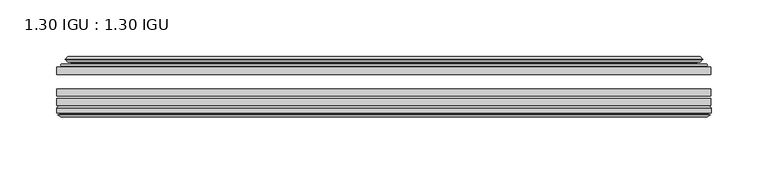
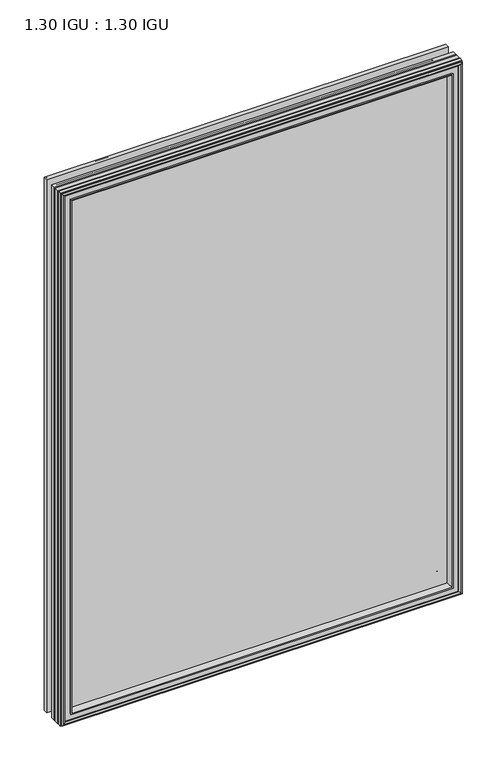
"""IFC4 building model written with IfcOpenShell, lengths in millimetres: plate geometry, 1.30 IGU : 1.30 IGU."""

import ifcopenshell
import ifcopenshell.guid

model = None  # the IFC model being written
_history = None  # IfcOwnerHistory: only IFC2X3 demands one
_inside = {}  # id of a spatial element -> (the spatial element, [elements in it])
_under = {}  # id of a project, library or spatial element -> (it, [spatial elements below it])
_declared = {}  # id of a project -> (the project, [libraries it declares])
_typed = {}  # id of a type object -> (the type object, [elements of that type])
_made_of = {}  # id of a material, layer set ... -> (it, [elements and type objects made of it])


def new_model(schema):
    """Start an empty IFC model of exactly this schema.

    Asked for "IFC4X3", IfcOpenShell would pick the latest addendum, in which some entities
    have other attributes; the version numbers below select the first issue.
    IFC2X3 requires an IfcOwnerHistory on every rooted entity: one is made here for all.
    """
    global model, _history
    if schema == "IFC4X3":
        model = ifcopenshell.file(schema_version=(4, 3, 0, 0))
    else:
        model = ifcopenshell.file(schema=schema)
    _inside.clear()
    _under.clear()
    _declared.clear()
    _typed.clear()
    _made_of.clear()
    _history = None
    if model.schema == "IFC2X3":
        org = make("IfcOrganization", Name="unknown")
        user = make(
            "IfcPersonAndOrganization",
            ThePerson=make("IfcPerson", FamilyName="unknown"),
            TheOrganization=org,
        )
        app = make(
            "IfcApplication",
            ApplicationDeveloper=org,
            Version="unknown",
            ApplicationFullName="unknown",
            ApplicationIdentifier="unknown",
        )
        _history = make(
            "IfcOwnerHistory",
            OwningUser=user,
            OwningApplication=app,
            ChangeAction="ADDED",
            CreationDate=0,
        )
    return model


def make(cls, **values):
    """One entity of the class cls with the attributes given. An attribute that is None is left unset."""
    return model.create_entity(
        cls, **{name: value for name, value in values.items() if value is not None}
    )


def rooted(cls, **values):
    """An entity with a GlobalId (a new one), such as an element, a storey or a relation."""
    return make(cls, GlobalId=ifcopenshell.guid.new(), OwnerHistory=_history, **values)


def si_unit(unit_type, name, prefix=None):
    """IfcSIUnit, for example si_unit("LENGTHUNIT", "METRE", prefix="MILLI")."""
    return make("IfcSIUnit", UnitType=unit_type, Prefix=prefix, Name=name)


def assignment(units):
    """IfcUnitAssignment: the units of a project."""
    return None if units is None else make("IfcUnitAssignment", Units=units)


def point(xyz):
    """IfcCartesianPoint."""
    return None if xyz is None else make("IfcCartesianPoint", Coordinates=xyz)


def direction(xyz):
    """IfcDirection."""
    return None if xyz is None else make("IfcDirection", DirectionRatios=xyz)


def frame(location, z_axis=None, x_axis=None):
    """IfcAxis2Placement3D, a coordinate frame: its origin and axes. An axis left out is left unset."""
    return make(
        "IfcAxis2Placement3D",
        Location=point(location),
        Axis=direction(z_axis),
        RefDirection=direction(x_axis),
    )


def origin():
    """The frame at (0, 0, 0) with its axes left unset."""
    return frame((0.0, 0.0, 0.0))


def place(relative_to, where):
    """IfcLocalPlacement: puts the frame where relative to a parent placement (None: the world)."""
    return make(
        "IfcLocalPlacement", PlacementRelTo=relative_to, RelativePlacement=where
    )


def context(
    kind, dimensions, precision=None, world=None, true_north=None, identifier=None
):
    """IfcGeometricRepresentationContext, for example the 3D "Model" context."""
    return make(
        "IfcGeometricRepresentationContext",
        ContextIdentifier=identifier,
        ContextType=kind,
        CoordinateSpaceDimension=dimensions,
        Precision=precision,
        WorldCoordinateSystem=world,
        TrueNorth=true_north,
    )


def project(units=None, contexts=None):
    """IfcProject with its units and contexts."""
    return rooted(
        "IfcProject",
        Name="project",
        RepresentationContexts=contexts,
        UnitsInContext=assignment(units),
    )


def spatial(cls, under=None, at=None, **own):
    """A site, building, storey or space (cls), placed at a placement, below another one or the project."""
    s = rooted(cls, ObjectPlacement=at, **own)
    if under is not None:
        _under.setdefault(under.id(), (under, []))[1].append(s)
    return s


def polyline(points):
    """IfcPolyline through the points."""
    return make("IfcPolyline", Points=[point(p) for p in points])


def ellipse_curve(where, semi_axis1, semi_axis2):
    """IfcEllipse in the frame where."""
    return make(
        "IfcEllipse", Position=where, SemiAxis1=semi_axis1, SemiAxis2=semi_axis2
    )


def outline(outer, holes=None, kind="AREA"):
    """IfcArbitraryClosedProfileDef: a profile drawn as a closed curve; with holes, ...WithVoids."""
    if holes is None:
        return make("IfcArbitraryClosedProfileDef", ProfileType=kind, OuterCurve=outer)
    return make(
        "IfcArbitraryProfileDefWithVoids",
        ProfileType=kind,
        OuterCurve=outer,
        InnerCurves=holes,
    )


def extrude(swept, where, along, depth):
    """IfcExtrudedAreaSolid: the profile swept, set in the frame where, extruded along a direction by depth."""
    return make(
        "IfcExtrudedAreaSolid",
        SweptArea=swept,
        Position=where,
        ExtrudedDirection=direction(along),
        Depth=depth,
    )


def faces_of(points, faces, orient=None, outer=None):
    """IfcFace entities. A face is a list of loops; a loop is a list of indices into points, from 0.

    orient and outer hold one flag for each loop. By default every Orientation is true, the
    first loop of a face is its IfcFaceOuterBound and the others are IfcFaceBound.
    """
    made = []
    for i, loops in enumerate(faces):
        bounds = []
        for j, loop in enumerate(loops):
            is_outer = j == 0 if outer is None else outer[i][j]
            bounds.append(
                make(
                    "IfcFaceOuterBound" if is_outer else "IfcFaceBound",
                    Bound=make("IfcPolyLoop", Polygon=[points[k] for k in loop]),
                    Orientation=True if orient is None else orient[i][j],
                )
            )
        made.append(make("IfcFace", Bounds=bounds))
    return made


def faceted_brep(points, faces, orient=None, outer=None, voids=None):
    """IfcFacetedBrep: a solid bounded by flat faces; with voids (closed shells), ...WithVoids."""
    shared = [point(p) for p in points]
    hull = make("IfcClosedShell", CfsFaces=faces_of(shared, faces, orient, outer))
    if voids is None:
        return make("IfcFacetedBrep", Outer=hull)
    return make(
        "IfcFacetedBrepWithVoids",
        Outer=hull,
        Voids=[
            make(cls, CfsFaces=faces_of(shared, fs, o, b)) for cls, fs, o, b in voids
        ],
    )


def shape(context_of_items, identifier, shape_type, items):
    """IfcShapeRepresentation: the items that make up one representation, for example the "Body"."""
    return make(
        "IfcShapeRepresentation",
        ContextOfItems=context_of_items,
        RepresentationIdentifier=identifier,
        RepresentationType=shape_type,
        Items=items,
    )


def source(mapping_origin, context_of_items, identifier, shape_type, items):
    """IfcRepresentationMap: a shape defined once, which mapped items show again and again."""
    return make(
        "IfcRepresentationMap",
        MappingOrigin=mapping_origin,
        MappedRepresentation=shape(context_of_items, identifier, shape_type, items),
    )


def transform(
    local_origin,
    x_axis=None,
    y_axis=None,
    z_axis=None,
    scale=None,
    scale2=None,
    scale3=None,
    uniform=True,
):
    """IfcCartesianTransformationOperator3D, or its non-uniform kind. x_axis, y_axis, z_axis: its Axis1, 2, 3."""
    if uniform:
        return make(
            "IfcCartesianTransformationOperator3D",
            Axis1=direction(x_axis),
            Axis2=direction(y_axis),
            LocalOrigin=point(local_origin),
            Scale=scale,
            Axis3=direction(z_axis),
        )
    return make(
        "IfcCartesianTransformationOperator3DnonUniform",
        Axis1=direction(x_axis),
        Axis2=direction(y_axis),
        LocalOrigin=point(local_origin),
        Scale=scale,
        Axis3=direction(z_axis),
        Scale2=scale2,
        Scale3=scale3,
    )


def mapped(mapping_source, mapping_target):
    """IfcMappedItem: shows the shape of a source again, moved by a transform."""
    return make(
        "IfcMappedItem", MappingSource=mapping_source, MappingTarget=mapping_target
    )


def made_of(thing, what):
    """Note that an element or type object is made of a material, layer set ...; save() writes the relation."""
    if what is not None:
        _made_of.setdefault(what.id(), (what, []))[1].append(thing)
    return thing


def element(
    cls,
    number,
    at=None,
    inside=None,
    cuts=None,
    type_object=None,
    material=None,
    context=None,
    identifier="Body",
    shape_type=None,
    held_by="IfcProductDefinitionShape",
    body=None,
    shapes=None,
    **own,
):
    """One element of the class cls, such as IfcWall. Its Tag is "e" and its number.

    at: its placement. inside: the storey or other place that contains it. cuts: it is an
    opening in that element (IfcRelVoidsElement). A single representation is given by context,
    identifier, shape_type and body (its items); several are given by shapes. held_by: the class
    of the entity that holds the representations. save() writes the other relations.
    """
    e = rooted(cls, Tag="e%d" % number, ObjectPlacement=at, **own)
    if body is not None:
        shapes = [shape(context, identifier, shape_type, body)]
    if shapes is not None:
        e.Representation = make(held_by, Representations=shapes)
    if inside is not None:
        _inside.setdefault(inside.id(), (inside, []))[1].append(e)
    if cuts is not None:
        rooted(
            "IfcRelVoidsElement", RelatingBuildingElement=cuts, RelatedOpeningElement=e
        )
    if type_object is not None:
        _typed.setdefault(type_object.id(), (type_object, []))[1].append(e)
    return made_of(e, material)


def aggregate(whole, parts):
    """IfcRelAggregates: a whole, such as a stair, and the parts it consists of."""
    return rooted("IfcRelAggregates", RelatingObject=whole, RelatedObjects=parts)


def save(model, path):
    """Write the relations noted so far, then the file.

    IfcRelAggregates (storeys below a building ...), IfcRelContainedInSpatialStructure (elements
    in a storey), IfcRelDefinesByType, IfcRelAssociatesMaterial and IfcRelDeclares: one each for
    every whole, place, type object, material and project.
    """
    for whole, parts in _under.values():
        aggregate(whole, parts)
    for where, things in _inside.values():
        rooted(
            "IfcRelContainedInSpatialStructure",
            RelatedElements=things,
            RelatingStructure=where,
        )
    for kind, things in _typed.values():
        rooted("IfcRelDefinesByType", RelatedObjects=things, RelatingType=kind)
    for what, things in _made_of.values():
        rooted("IfcRelAssociatesMaterial", RelatedObjects=things, RelatingMaterial=what)
    for by, libraries in _declared.values():
        rooted("IfcRelDeclares", RelatingContext=by, RelatedDefinitions=libraries)
    model.write(path)


def plane_surface(at):
    """IfcPlane: the flat surface through the origin of the frame at, square to its z axis."""
    return make("IfcPlane", Position=at)


def cylinder_surface(at, radius):
    """IfcCylindricalSurface: all points at the distance radius from the z axis of the frame at."""
    return make("IfcCylindricalSurface", Position=at, Radius=radius)


def revolved_surface(curve, axis_point, axis_direction):
    """IfcSurfaceOfRevolution: the curve turned about the line through axis_point along axis_direction."""
    return make(
        "IfcSurfaceOfRevolution",
        SweptCurve=make("IfcArbitraryOpenProfileDef", ProfileType="CURVE", Curve=curve),
        AxisPosition=make("IfcAxis1Placement", Location=point(axis_point), Axis=direction(axis_direction)),
    )


def advanced_brep(points, edges, surfaces, faces):
    """IfcAdvancedBrep: a solid bounded by faces that lie on surfaces and meet in shared edges.

    An edge is (start, end): straight between two places in points (the first is 0);
    or (start, end, curve); or (start, end, curve, False) where it runs against its curve.
    A face is (place in surfaces, loops), or (place, loops, False) where it looks against
    its surface's normal. A loop lists edges by number (the first is 1), with a minus sign
    where the edge is run from its end to its start. The first loop is the outer one.
    """
    corners = [point(p) for p in points]
    vertices = [make("IfcVertexPoint", VertexGeometry=c) for c in corners]
    made = []
    for start, end, *more in edges:
        made.append(
            make(
                "IfcEdgeCurve",
                EdgeStart=vertices[start],
                EdgeEnd=vertices[end],
                EdgeGeometry=more[0] if more else make("IfcPolyline", Points=[corners[start], corners[end]]),
                SameSense=more[1] if len(more) > 1 else True,
            )
        )
    hull = []
    for where, loops, *sense in faces:
        bounds = []
        for j, loop in enumerate(loops):
            ring = [make("IfcOrientedEdge", EdgeElement=made[abs(k) - 1], Orientation=k > 0) for k in loop]
            bounds.append(
                make(
                    "IfcFaceOuterBound" if j == 0 else "IfcFaceBound",
                    Bound=make("IfcEdgeLoop", EdgeList=ring),
                    Orientation=True,
                )
            )
        hull.append(make("IfcAdvancedFace", Bounds=bounds, FaceSurface=surfaces[where], SameSense=sense[0] if sense else True))
    return make("IfcAdvancedBrep", Outer=make("IfcClosedShell", CfsFaces=hull))


def plate_1_30_igu_1_30_igu_48c2cd0c(model_context):
    return source(origin(), model_context, "Body", "SolidModel", [
        extrude(outline(polyline([(287.2705532, -44.92625), (287.2705532, -51.27625), (-287.3375, -51.27625), (-287.3375, -44.92625), (287.2705532, -44.92625)])), frame((0.0, 0.0, -14.2875), z_axis=(0.0, 0.0, 1.0), x_axis=(1.0, 0.0, 0.0)), (0.0, 0.0, 1.0), 806.45),
        extrude(outline(polyline([(-287.3375, -78.58125), (-287.3375, -72.23125), (287.2705532, -72.23125), (287.2705532, -78.58125), (-287.3375, -78.58125)])), frame((0.0, 0.0, -14.2875), z_axis=(0.0, 0.0, 1.0), x_axis=(1.0, 0.0, 0.0)), (0.0, 0.0, 1.0), 806.45),
        extrude(outline(polyline([(-287.3375, -70.32625), (-287.3375, -63.97625), (287.2705532, -63.97625), (287.2705532, -70.32625), (-287.3375, -70.32625)])), frame((0.0, 0.0, -14.2875), z_axis=(0.0, 0.0, 1.0), x_axis=(1.0, 0.0, 0.0)), (0.0, 0.0, 1.0), 806.45),
        advanced_brep(
        [(-269.0022902, -43.8351483, 773.8272902), (-269.4441004, -44.92625, 774.2691004), (-269.4441004, -44.92625, 3.6058996), (-269.0022902, -43.8351483, 4.0477098), (-273.05, -36.11245, 777.875), (-273.05, -36.11245, 0.0), (-278.2359109, -37.2935491, 783.0609109), (-278.2359109, -37.2935491, -5.1859109), (-277.9063356, -36.4664324, 782.7313356), (-277.9063356, -36.4664324, -4.8563356), (-277.9063356, -35.6521812, 782.7313356), (-277.9063356, -35.6521812, -4.8563356), (-279.7226111, -37.610817, 784.5476111), (-279.7226111, -37.610817, -6.6726111), (-279.7226111, -38.3239429, 784.5476111), (-279.7226111, -38.3239429, -6.6726111), (-277.9063356, -40.2727974, 782.7313356), (-277.9063356, -40.2727974, -4.8563356), (-277.9063356, -39.4683275, 782.7313356), (-277.9063356, -39.4683275, -4.8563356), (-278.2282501, -38.6604367, 783.0532501), (-278.2282501, -38.6604367, -5.1782501), (-275.7044379, -38.502045, 780.5294379), (-275.7044379, -38.502045, -2.6544379), (-274.6786217, -39.1897544, 779.5036217), (-274.6786217, -39.1897544, -1.6286217), (-274.7970288, -40.5842231, 779.6220288), (-274.7970288, -40.5842231, -1.7470288), (-275.3987748, -42.08145, 780.2237748), (-275.3987748, -42.08145, -2.3487748), (-283.3245553, -43.9898729, 788.1495553), (-282.8389245, -42.08145, 787.6639245), (-282.8389245, -42.08145, -9.7889245), (-283.3245553, -43.9898729, -10.2745553), (-281.6038155, -44.92625, 786.4288155), (-281.6038155, -44.92625, -8.5538155), (269.4441004, -44.92625, 3.6058996), (269.0022902, -43.8351483, 4.0477098), (273.05, -36.11245, 0.0), (278.2359109, -37.2935491, -5.1859109), (277.9063356, -36.4664324, -4.8563356), (277.9063356, -35.6521812, -4.8563356), (279.7226111, -37.610817, -6.6726111), (279.7226111, -38.3239429, -6.6726111), (277.9063356, -40.2727974, -4.8563356), (277.9063356, -39.4683275, -4.8563356), (278.2282501, -38.6604367, -5.1782501), (275.7044379, -38.502045, -2.6544379), (274.6786217, -39.1897544, -1.6286217), (274.7970288, -40.5842231, -1.7470288), (275.3987748, -42.08145, -2.3487748), (282.8389245, -42.08145, -9.7889245), (283.3245553, -43.9898729, -10.2745553), (281.6038155, -44.92625, -8.5538155), (269.4441004, -44.92625, 774.2691004), (269.0022902, -43.8351483, 773.8272902), (273.05, -36.11245, 777.875), (278.2359109, -37.2935491, 783.0609109), (277.9063356, -36.4664324, 782.7313356), (277.9063356, -35.6521812, 782.7313356), (279.7226111, -37.610817, 784.5476111), (279.7226111, -38.3239429, 784.5476111), (277.9063356, -40.2727974, 782.7313356), (277.9063356, -39.4683275, 782.7313356), (278.2282501, -38.6604367, 783.0532501), (275.7044379, -38.502045, 780.5294379), (274.6786217, -39.1897544, 779.5036217), (274.7970288, -40.5842231, 779.6220288), (275.3987748, -42.08145, 780.2237748), (282.8389245, -42.08145, 787.6639245), (283.3245553, -43.9898729, 788.1495553), (281.6038155, -44.92625, 786.4288155)],
        [
            (0, 1, ellipse_curve(frame((-269.4441004, -44.29125, 774.2691004), z_axis=(-0.7071067811865475, 0.0, -0.7071067811865475), x_axis=(-0.7071067811865474, 0.0, 0.7071067811865476)), 0.8980256, 0.635)),
            (1, 2),
            (2, 3, ellipse_curve(frame((-269.4441004, -44.29125, 3.6058996), z_axis=(-0.7071067811865475, 0.0, 0.7071067811865475), x_axis=(0.7071067811865474, 0.0, 0.7071067811865476)), 0.8980256, 0.635)),
            (3, 0),
            (4, 0, ellipse_curve(frame((-259.3172054, -33.8367745, 764.1422054), z_axis=(0.7071067811865475, 0.0, 0.7071067811865475), x_axis=(0.7071067811865474, 0.0, -0.7071067811865476)), 19.6859517, 13.9200699)),
            (3, 5, ellipse_curve(frame((-259.3172054, -33.8367745, 13.7327946), z_axis=(0.7071067811865475, 0.0, -0.7071067811865475), x_axis=(-0.7071067811865474, 0.0, -0.7071067811865476)), 19.6859517, 13.9200699)),
            (5, 4),
            (6, 4),
            (5, 7),
            (7, 6),
            (8, 6),
            (7, 9),
            (9, 8),
            (10, 8),
            (9, 11),
            (11, 10),
            (12, 10),
            (11, 13),
            (13, 12),
            (14, 12, ellipse_curve(frame((-279.3607729, -37.96738, 784.1857729), z_axis=(-0.7071067811865475, 0.0, -0.7071067811865475), x_axis=(-0.7071067811865474, 0.0, 0.7071067811865476)), 0.7184205, 0.508)),
            (13, 15, ellipse_curve(frame((-279.3607729, -37.96738, -6.3107729), z_axis=(-0.7071067811865475, 0.0, 0.7071067811865475), x_axis=(0.7071067811865474, 0.0, 0.7071067811865476)), 0.7184205, 0.508)),
            (15, 14),
            (16, 14),
            (15, 17),
            (17, 16),
            (18, 16),
            (17, 19),
            (19, 18),
            (20, 18),
            (19, 21),
            (21, 20),
            (22, 20),
            (21, 23),
            (23, 22),
            (24, 22, ellipse_curve(frame((-275.6408, -39.51605, 780.4658), z_axis=(0.7071067811865475, 0.0, 0.7071067811865475), x_axis=(0.7071067811865474, 0.0, -0.7071067811865476)), 1.436841, 1.016)),
            (23, 25, ellipse_curve(frame((-275.6408, -39.51605, -2.5908), z_axis=(0.7071067811865475, 0.0, -0.7071067811865475), x_axis=(-0.7071067811865474, 0.0, -0.7071067811865476)), 1.436841, 1.016)),
            (25, 24),
            (26, 24, ellipse_curve(frame((-277.0124, -39.69385, 781.8374), z_axis=(0.7071067811865475, 0.0, 0.7071067811865475), x_axis=(0.7071067811865474, 0.0, -0.7071067811865476)), 3.3765763, 2.3876)),
            (25, 27, ellipse_curve(frame((-277.0124, -39.69385, -3.9624), z_axis=(0.7071067811865475, 0.0, -0.7071067811865475), x_axis=(-0.7071067811865474, 0.0, -0.7071067811865476)), 3.3765763, 2.3876)),
            (27, 26),
            (28, 26),
            (27, 29),
            (29, 28),
            (30, 31, ellipse_curve(frame((-282.8389245, -43.09745, 787.6639245), z_axis=(-0.7071067811865475, 0.0, -0.7071067811865475), x_axis=(-0.7071067811865474, 0.0, 0.7071067811865476)), 1.436841, 1.016)),
            (31, 32),
            (32, 33, ellipse_curve(frame((-282.8389245, -43.09745, -9.7889245), z_axis=(-0.7071067811865475, 0.0, 0.7071067811865475), x_axis=(0.7071067811865474, 0.0, 0.7071067811865476)), 1.436841, 1.016)),
            (33, 30),
            (34, 30),
            (33, 35),
            (35, 34),
            (2, 36),
            (36, 37, ellipse_curve(frame((269.4441004, -44.29125, 3.6058996), z_axis=(-0.7071067811865475, 0.0, -0.7071067811865475), x_axis=(-0.7071067811865476, 0.0, 0.7071067811865474)), 0.8980256, 0.635)),
            (37, 3),
            (37, 38, ellipse_curve(frame((259.3172054, -33.8367745, 13.7327946), z_axis=(0.7071067811865475, 0.0, 0.7071067811865475), x_axis=(0.7071067811865476, 0.0, -0.7071067811865474)), 19.6859517, 13.9200699)),
            (38, 5),
            (38, 39),
            (39, 7),
            (39, 40),
            (40, 9),
            (40, 41),
            (41, 11),
            (41, 42),
            (42, 13),
            (42, 43, ellipse_curve(frame((279.3607729, -37.96738, -6.3107729), z_axis=(-0.7071067811865475, 0.0, -0.7071067811865475), x_axis=(-0.7071067811865476, 0.0, 0.7071067811865474)), 0.7184205, 0.508)),
            (43, 15),
            (43, 44),
            (44, 17),
            (44, 45),
            (45, 19),
            (45, 46),
            (46, 21),
            (46, 47),
            (47, 23),
            (47, 48, ellipse_curve(frame((275.6408, -39.51605, -2.5908), z_axis=(0.7071067811865475, 0.0, 0.7071067811865475), x_axis=(0.7071067811865476, 0.0, -0.7071067811865474)), 1.436841, 1.016)),
            (48, 25),
            (48, 49, ellipse_curve(frame((277.0124, -39.69385, -3.9624), z_axis=(0.7071067811865475, 0.0, 0.7071067811865475), x_axis=(0.7071067811865476, 0.0, -0.7071067811865474)), 3.3765763, 2.3876)),
            (49, 27),
            (49, 50),
            (50, 29),
            (32, 51),
            (51, 52, ellipse_curve(frame((282.8389245, -43.09745, -9.7889245), z_axis=(-0.7071067811865475, 0.0, -0.7071067811865475), x_axis=(-0.7071067811865476, 0.0, 0.7071067811865474)), 1.436841, 1.016)),
            (52, 33),
            (52, 53),
            (53, 35),
            (36, 54),
            (54, 55, ellipse_curve(frame((269.4441004, -44.29125, 774.2691004), z_axis=(0.7071067811865475, 0.0, -0.7071067811865475), x_axis=(-0.7071067811865474, 0.0, -0.7071067811865476)), 0.8980256, 0.635)),
            (55, 37),
            (55, 56, ellipse_curve(frame((259.3172054, -33.8367745, 764.1422054), z_axis=(-0.7071067811865475, 0.0, 0.7071067811865475), x_axis=(0.7071067811865474, 0.0, 0.7071067811865476)), 19.6859517, 13.9200699)),
            (56, 38),
            (56, 57),
            (57, 39),
            (57, 58),
            (58, 40),
            (58, 59),
            (59, 41),
            (59, 60),
            (60, 42),
            (60, 61, ellipse_curve(frame((279.3607729, -37.96738, 784.1857729), z_axis=(0.7071067811865475, 0.0, -0.7071067811865475), x_axis=(-0.7071067811865474, 0.0, -0.7071067811865476)), 0.7184205, 0.508)),
            (61, 43),
            (61, 62),
            (62, 44),
            (62, 63),
            (63, 45),
            (63, 64),
            (64, 46),
            (64, 65),
            (65, 47),
            (65, 66, ellipse_curve(frame((275.6408, -39.51605, 780.4658), z_axis=(-0.7071067811865475, 0.0, 0.7071067811865475), x_axis=(0.7071067811865474, 0.0, 0.7071067811865476)), 1.436841, 1.016)),
            (66, 48),
            (66, 67, ellipse_curve(frame((277.0124, -39.69385, 781.8374), z_axis=(-0.7071067811865475, 0.0, 0.7071067811865475), x_axis=(0.7071067811865474, 0.0, 0.7071067811865476)), 3.3765763, 2.3876)),
            (67, 49),
            (67, 68),
            (68, 50),
            (51, 69),
            (69, 70, ellipse_curve(frame((282.8389245, -43.09745, 787.6639245), z_axis=(0.7071067811865475, 0.0, -0.7071067811865475), x_axis=(-0.7071067811865474, 0.0, -0.7071067811865476)), 1.436841, 1.016)),
            (70, 52),
            (70, 71),
            (71, 53),
            (54, 1),
            (0, 55),
            (4, 56),
            (6, 57),
            (8, 58),
            (10, 59),
            (12, 60),
            (14, 61),
            (16, 62),
            (18, 63),
            (20, 64),
            (22, 65),
            (24, 66),
            (26, 67),
            (28, 68),
            (31, 69),
            (30, 70),
            (34, 71),
        ],
        [
            cylinder_surface(frame((-269.4441004, -44.29125, 809.625), z_axis=(0.0, 0.0, 1.0), x_axis=(-1.0, 0.0, 0.0)), 0.635),
            revolved_surface(polyline([(-273.23727529999996, -33.8367745, -0.18727534118079348), (-273.23727529999996, -33.8367745, 778.0622753411808)]), (-259.3172054, -33.8367745, 809.625), (0.0, 0.0, -1.0)),
            plane_surface(frame((-273.05, -36.11245, 777.875), z_axis=(-0.2220649844277866, 0.975031867525922, 0.0), x_axis=(0.0, 0.0, -1.0))),
            plane_surface(frame((-278.2359109, -37.2935491, 783.0609109), z_axis=(0.9289682685629922, -0.3701593656833182, 0.0), x_axis=(0.0, 0.0, -1.0))),
            plane_surface(frame((-277.9063356, -36.4664324, 782.7313356), z_axis=(1.0, 0.0, 0.0), x_axis=(0.0, 0.0, -1.0))),
            plane_surface(frame((-277.9063356, -35.6521812, 782.7313356), z_axis=(-0.7332521292723956, 0.6799568478348447, 0.0), x_axis=(0.0, 0.0, -1.0))),
            cylinder_surface(frame((-279.3607729, -37.96738, 809.625), z_axis=(0.0, 0.0, 1.0), x_axis=(-1.0, 0.0, 0.0)), 0.508),
            plane_surface(frame((-279.7226111, -38.3239429, 784.5476111), z_axis=(-0.7315522693036389, -0.6817853601220082, 0.0), x_axis=(0.0, 0.0, -1.0))),
            plane_surface(frame((-277.9063356, -40.2727974, 782.7313356), z_axis=(1.0, 0.0, 0.0), x_axis=(0.0, 0.0, -1.0))),
            plane_surface(frame((-277.9063356, -39.4683275, 782.7313356), z_axis=(0.9289682685631103, 0.37015936568302166, 0.0), x_axis=(0.0, 0.0, -1.0))),
            plane_surface(frame((-278.2282501, -38.6604367, 783.0532501), z_axis=(0.06263570119321646, -0.9980364567169048, 0.0), x_axis=(0.0, 0.0, -1.0))),
            revolved_surface(polyline([(-276.65680000000003, -39.51605, -3.606800014586838), (-276.65680000000003, -39.51605, 781.4818000145868)]), (-275.6408, -39.51605, 809.625), (0.0, 0.0, -1.0)),
            revolved_surface(polyline([(-279.40000000000003, -39.69385, -6.3499999989237494), (-279.40000000000003, -39.69385, 784.2249999989237)]), (-277.0124, -39.69385, 809.625), (0.0, 0.0, -1.0)),
            plane_surface(frame((-274.7970288, -40.5842231, 779.6220288), z_axis=(-0.9278652925428912, 0.372915538553028, 0.0), x_axis=(0.0, 0.0, -1.0))),
            cylinder_surface(frame((-282.8389245, -43.09745, 809.625), z_axis=(0.0, 0.0, 1.0), x_axis=(-1.0, 0.0, 0.0)), 1.016),
            plane_surface(frame((-283.3245553, -43.9898729, 788.1495553), z_axis=(-0.477983117370979, -0.8783690223979447, 0.0), x_axis=(0.0, 0.0, -1.0))),
            cylinder_surface(frame((-304.8, -44.29125, 3.6058996), z_axis=(-1.0, 0.0, 0.0), x_axis=(0.0, 0.0, -1.0)), 0.635),
            revolved_surface(polyline([(273.2372753411808, -33.8367745, -0.1872752999999996), (-273.2372753411808, -33.8367745, -0.1872752999999996)]), (-304.8, -33.8367745, 13.7327946), (1.0, 0.0, 0.0)),
            plane_surface(frame((-273.05, -36.11245, 0.0), z_axis=(0.0, 0.9750318675259213, -0.22206498442778974), x_axis=(1.0, 0.0, 0.0))),
            plane_surface(frame((-278.2359109, -37.2935491, -5.1859109), z_axis=(0.0, -0.3701593656833152, 0.9289682685629934), x_axis=(1.0, 0.0, 0.0))),
            plane_surface(frame((-277.9063356, -36.4664324, -4.8563356), z_axis=(0.0, 0.0, 1.0), x_axis=(1.0, 0.0, 0.0))),
            plane_surface(frame((-277.9063356, -35.6521812, -4.8563356), z_axis=(0.0, 0.6799568478348423, -0.7332521292723978), x_axis=(1.0, 0.0, 0.0))),
            cylinder_surface(frame((-304.8, -37.96738, -6.3107729), z_axis=(-1.0, 0.0, 0.0), x_axis=(0.0, 0.0, -1.0)), 0.508),
            plane_surface(frame((-279.7226111, -38.3239429, -6.6726111), z_axis=(0.0, -0.6817853601220105, -0.7315522693036367), x_axis=(1.0, 0.0, 0.0))),
            plane_surface(frame((-277.9063356, -40.2727974, -4.8563356), z_axis=(0.0, 0.0, 1.0), x_axis=(1.0, 0.0, 0.0))),
            plane_surface(frame((-277.9063356, -39.4683275, -4.8563356), z_axis=(0.0, 0.37015936568302465, 0.9289682685631091), x_axis=(1.0, 0.0, 0.0))),
            plane_surface(frame((-278.2282501, -38.6604367, -5.1782501), z_axis=(0.0, -0.9980364567169046, 0.06263570119321968), x_axis=(1.0, 0.0, 0.0))),
            revolved_surface(polyline([(276.65680001458696, -39.51605, -3.6068000000000002), (-276.65680001458685, -39.51605, -3.6068000000000002)]), (-304.8, -39.51605, -2.5908), (1.0, 0.0, 0.0)),
            revolved_surface(polyline([(279.39999999892376, -39.69385, -6.35), (-279.3999999989238, -39.69385, -6.35)]), (-304.8, -39.69385, -3.9624), (1.0, 0.0, 0.0)),
            plane_surface(frame((-274.7970288, -40.5842231, -1.7470288), z_axis=(0.0, 0.372915538553025, -0.9278652925428924), x_axis=(1.0, 0.0, 0.0))),
            cylinder_surface(frame((-304.8, -43.09745, -9.7889245), z_axis=(-1.0, 0.0, 0.0), x_axis=(0.0, 0.0, -1.0)), 1.016),
            plane_surface(frame((-283.3245553, -43.9898729, -10.2745553), z_axis=(0.0, -0.8783690223979462, -0.47798311737097615), x_axis=(1.0, 0.0, 0.0))),
            cylinder_surface(frame((269.4441004, -44.29125, -31.75), z_axis=(0.0, 0.0, -1.0), x_axis=(1.0, 0.0, 0.0)), 0.635),
            revolved_surface(polyline([(273.23727529999996, -33.8367745, 778.0622753411808), (273.23727529999996, -33.8367745, -0.1872753411808432)]), (259.3172054, -33.8367745, -31.75), (0.0, 0.0, 1.0)),
            plane_surface(frame((273.05, -36.11245, 0.0), z_axis=(0.22206498442779285, 0.9750318675259205, 0.0), x_axis=(0.0, 0.0, 1.0))),
            plane_surface(frame((278.2359109, -37.2935491, -5.1859109), z_axis=(-0.9289682685629946, -0.3701593656833122, 0.0), x_axis=(0.0, 0.0, 1.0))),
            plane_surface(frame((277.9063356, -36.4664324, -4.8563356), z_axis=(-1.0, 0.0, 0.0), x_axis=(0.0, 0.0, 1.0))),
            plane_surface(frame((277.9063356, -35.6521812, -4.8563356), z_axis=(0.7332521292724, 0.67995684783484, 0.0), x_axis=(0.0, 0.0, 1.0))),
            cylinder_surface(frame((279.3607729, -37.96738, -31.75), z_axis=(0.0, 0.0, -1.0), x_axis=(1.0, 0.0, 0.0)), 0.508),
            plane_surface(frame((279.7226111, -38.3239429, -6.6726111), z_axis=(0.7315522693036345, -0.6817853601220129, 0.0), x_axis=(0.0, 0.0, 1.0))),
            plane_surface(frame((277.9063356, -40.2727974, -4.8563356), z_axis=(-1.0, 0.0, 0.0), x_axis=(0.0, 0.0, 1.0))),
            plane_surface(frame((277.9063356, -39.4683275, -4.8563356), z_axis=(-0.928968268563108, 0.3701593656830277, 0.0), x_axis=(0.0, 0.0, 1.0))),
            plane_surface(frame((278.2282501, -38.6604367, -5.1782501), z_axis=(-0.0626357011932229, -0.9980364567169043, 0.0), x_axis=(0.0, 0.0, 1.0))),
            revolved_surface(polyline([(276.65680000000003, -39.51605, 781.4818000145868), (276.65680000000003, -39.51605, -3.606800014586863)]), (275.6408, -39.51605, -31.75), (0.0, 0.0, 1.0)),
            revolved_surface(polyline([(279.40000000000003, -39.69385, 784.2249999989237), (279.40000000000003, -39.69385, -6.349999998923781)]), (277.0124, -39.69385, -31.75), (0.0, 0.0, 1.0)),
            plane_surface(frame((274.7970288, -40.5842231, -1.7470288), z_axis=(0.9278652925428936, 0.372915538553022, 0.0), x_axis=(0.0, 0.0, 1.0))),
            cylinder_surface(frame((282.8389245, -43.09745, -31.75), z_axis=(0.0, 0.0, -1.0), x_axis=(1.0, 0.0, 0.0)), 1.016),
            plane_surface(frame((283.3245553, -43.9898729, -10.2745553), z_axis=(0.4779831173709733, -0.8783690223979478, 0.0), x_axis=(0.0, 0.0, 1.0))),
            cylinder_surface(frame((304.8, -44.29125, 774.2691004), z_axis=(1.0, 0.0, 0.0), x_axis=(0.0, 0.0, 1.0)), 0.635),
            revolved_surface(polyline([(-273.2372753411808, -33.8367745, 778.0622753), (273.2372753411808, -33.8367745, 778.0622753)]), (304.8, -33.8367745, 764.1422054), (-1.0, 0.0, 0.0)),
            plane_surface(frame((273.05, -36.11245, 777.875), z_axis=(0.0, 0.9750318675259212, 0.2220649844277897), x_axis=(-1.0, 0.0, 0.0))),
            plane_surface(frame((278.2359109, -37.2935491, 783.0609109), z_axis=(0.0, -0.3701593656833152, -0.9289682685629934), x_axis=(-1.0, 0.0, 0.0))),
            plane_surface(frame((277.9063356, -36.4664324, 782.7313356), z_axis=(0.0, 0.0, -1.0), x_axis=(-1.0, 0.0, 0.0))),
            plane_surface(frame((277.9063356, -35.6521812, 782.7313356), z_axis=(0.0, 0.6799568478348423, 0.7332521292723978), x_axis=(-1.0, 0.0, 0.0))),
            cylinder_surface(frame((304.8, -37.96738, 784.1857729), z_axis=(1.0, 0.0, 0.0), x_axis=(0.0, 0.0, 1.0)), 0.508),
            plane_surface(frame((279.7226111, -38.3239429, 784.5476111), z_axis=(0.0, -0.6817853601220105, 0.7315522693036367), x_axis=(-1.0, 0.0, 0.0))),
            plane_surface(frame((277.9063356, -40.2727974, 782.7313356), z_axis=(0.0, 0.0, -1.0), x_axis=(-1.0, 0.0, 0.0))),
            plane_surface(frame((277.9063356, -39.4683275, 782.7313356), z_axis=(0.0, 0.3701593656830247, -0.9289682685631092), x_axis=(-1.0, 0.0, 0.0))),
            plane_surface(frame((278.2282501, -38.6604367, 783.0532501), z_axis=(0.0, -0.9980364567169046, -0.06263570119321968), x_axis=(-1.0, 0.0, 0.0))),
            revolved_surface(polyline([(-276.65680001458696, -39.51605, 781.4817999999999), (276.65680001458685, -39.51605, 781.4817999999999)]), (304.8, -39.51605, 780.4658), (-1.0, 0.0, 0.0)),
            revolved_surface(polyline([(-279.39999999892376, -39.69385, 784.225), (279.3999999989238, -39.69385, 784.225)]), (304.8, -39.69385, 781.8374), (-1.0, 0.0, 0.0)),
            plane_surface(frame((274.7970288, -40.5842231, 779.6220288), z_axis=(0.0, 0.372915538553025, 0.9278652925428924), x_axis=(-1.0, 0.0, 0.0))),
            plane_surface(frame((275.3987748, -42.08145, 780.2237748), z_axis=(0.0, 1.0, 0.0), x_axis=(-1.0, 0.0, 0.0))),
            cylinder_surface(frame((304.8, -43.09745, 787.6639245), z_axis=(1.0, 0.0, 0.0), x_axis=(0.0, 0.0, 1.0)), 1.016),
            plane_surface(frame((283.3245553, -43.9898729, 788.1495553), z_axis=(0.0, -0.8783690223979462, 0.47798311737097615), x_axis=(-1.0, 0.0, 0.0))),
            plane_surface(frame((281.6038155, -44.92625, 786.4288155), z_axis=(0.0, -1.0, 0.0), x_axis=(-1.0, 0.0, 0.0))),
        ],
        [
            (0, [[1, 2, 3, 4]]),
            (1, [[5, -4, 6, 7]]),
            (2, [[8, -7, 9, 10]]),
            (3, [[11, -10, 12, 13]]),
            (4, [[14, -13, 15, 16]]),
            (5, [[17, -16, 18, 19]]),
            (6, [[20, -19, 21, 22]]),
            (7, [[23, -22, 24, 25]]),
            (8, [[26, -25, 27, 28]]),
            (9, [[29, -28, 30, 31]]),
            (10, [[32, -31, 33, 34]]),
            (11, [[35, -34, 36, 37]]),
            (12, [[38, -37, 39, 40]]),
            (13, [[41, -40, 42, 43]]),
            (14, [[44, 45, 46, 47]]),
            (15, [[48, -47, 49, 50]]),
            (16, [[-3, 51, 52, 53]]),
            (17, [[-6, -53, 54, 55]]),
            (18, [[-9, -55, 56, 57]]),
            (19, [[-12, -57, 58, 59]]),
            (20, [[-15, -59, 60, 61]]),
            (21, [[-18, -61, 62, 63]]),
            (22, [[-21, -63, 64, 65]]),
            (23, [[-24, -65, 66, 67]]),
            (24, [[-27, -67, 68, 69]]),
            (25, [[-30, -69, 70, 71]]),
            (26, [[-33, -71, 72, 73]]),
            (27, [[-36, -73, 74, 75]]),
            (28, [[-39, -75, 76, 77]]),
            (29, [[-42, -77, 78, 79]]),
            (30, [[-46, 80, 81, 82]]),
            (31, [[-49, -82, 83, 84]]),
            (32, [[-52, 85, 86, 87]]),
            (33, [[-54, -87, 88, 89]]),
            (34, [[-56, -89, 90, 91]]),
            (35, [[-58, -91, 92, 93]]),
            (36, [[-60, -93, 94, 95]]),
            (37, [[-62, -95, 96, 97]]),
            (38, [[-64, -97, 98, 99]]),
            (39, [[-66, -99, 100, 101]]),
            (40, [[-68, -101, 102, 103]]),
            (41, [[-70, -103, 104, 105]]),
            (42, [[-72, -105, 106, 107]]),
            (43, [[-74, -107, 108, 109]]),
            (44, [[-76, -109, 110, 111]]),
            (45, [[-78, -111, 112, 113]]),
            (46, [[-81, 114, 115, 116]]),
            (47, [[-83, -116, 117, 118]]),
            (48, [[-86, 119, -1, 120]]),
            (49, [[-88, -120, -5, 121]]),
            (50, [[-90, -121, -8, 122]]),
            (51, [[-92, -122, -11, 123]]),
            (52, [[-94, -123, -14, 124]]),
            (53, [[-96, -124, -17, 125]]),
            (54, [[-98, -125, -20, 126]]),
            (55, [[-100, -126, -23, 127]]),
            (56, [[-102, -127, -26, 128]]),
            (57, [[-104, -128, -29, 129]]),
            (58, [[-106, -129, -32, 130]]),
            (59, [[-108, -130, -35, 131]]),
            (60, [[-110, -131, -38, 132]]),
            (61, [[-112, -132, -41, 133]]),
            (62, [[134, -114, -80, -45], [-79, -113, -133, -43]]),
            (63, [[-115, -134, -44, 135]]),
            (64, [[-117, -135, -48, 136]]),
            (65, [[-84, -118, -136, -50], [-119, -85, -51, -2]]),
        ],
    ),
        faceted_brep([(-269.1957827, -78.58125, 774.0207827), (-271.7620798, -87.47125, 776.5870798), (-271.7620798, -87.47125, 1.2879202), (-269.1957827, -78.58125, 3.8542173), (-287.3502, -80.7883102, 792.1752), (-285.1431398, -78.58125, 789.9681398), (-285.1431398, -78.58125, -12.0931398), (-287.3502, -80.7883102, -14.3002), (-287.3502, -84.93125, 792.1752), (-287.3502, -84.93125, -14.3002), (-284.9311775, -86.11489, 789.7561775), (-285.7703682, -84.93125, 790.5953682), (-285.7703682, -84.93125, -12.7203682), (-284.9311775, -86.11489, -11.8811775), (-284.734, -87.4125884, 789.559), (-284.734, -87.4125884, -11.684), (-285.70966, -86.8828917, 790.53466), (-285.70966, -86.8828917, -12.65966), (-284.1752, -88.6999663, 789.0002), (-286.5023305, -86.8828917, 791.3273305), (-286.5023305, -86.8828917, -13.4523305), (-284.1752, -88.6999663, -11.1252), (-281.8480695, -86.8828917, 786.6730695), (-281.8480695, -86.8828917, -8.7980695), (-283.6164, -87.4125884, 788.4414), (-282.64074, -86.8828917, 787.46574), (-282.64074, -86.8828917, -9.59074), (-283.6164, -87.4125884, -10.5664), (-283.4192225, -86.11489, 788.2442225), (-283.4192225, -86.11489, -10.3692225), (-282.5496, -84.93125, 787.3746), (-282.5496, -84.93125, -9.4996), (-273.4013667, -87.47125, 778.2263667), (-272.8722, -84.93125, 777.6972), (-272.8722, -84.93125, 0.1778), (-273.4013667, -87.47125, -0.3513667), (271.7620798, -87.47125, 1.2879202), (269.1957827, -78.58125, 3.8542173), (285.1431398, -78.58125, -12.0931398), (287.3502, -80.7883102, -14.3002), (287.3502, -84.93125, -14.3002), (285.7703682, -84.93125, -12.7203682), (284.9311775, -86.11489, -11.8811775), (284.734, -87.4125884, -11.684), (285.70966, -86.8828917, -12.65966), (286.5023305, -86.8828917, -13.4523305), (284.1752, -88.6999663, -11.1252), (281.8480695, -86.8828917, -8.7980695), (282.64074, -86.8828917, -9.59074), (283.6164, -87.4125884, -10.5664), (283.4192225, -86.11489, -10.3692225), (282.5496, -84.93125, -9.4996), (272.8722, -84.93125, 0.1778), (273.4013667, -87.47125, -0.3513667), (271.7620798, -87.47125, 776.5870798), (269.1957827, -78.58125, 774.0207827), (285.1431398, -78.58125, 789.9681398), (287.3502, -80.7883102, 792.1752), (287.3502, -84.93125, 792.1752), (285.7703682, -84.93125, 790.5953682), (284.9311775, -86.11489, 789.7561775), (284.734, -87.4125884, 789.559), (285.70966, -86.8828917, 790.53466), (286.5023305, -86.8828917, 791.3273305), (284.1752, -88.6999663, 789.0002), (281.8480695, -86.8828917, 786.6730695), (282.64074, -86.8828917, 787.46574), (283.6164, -87.4125884, 788.4414), (283.4192225, -86.11489, 788.2442225), (282.5496, -84.93125, 787.3746), (272.8722, -84.93125, 777.6972), (273.4013667, -87.47125, 778.2263667)], [[[0, 1, 2, 3]], [[4, 5, 6, 7]], [[8, 4, 7, 9]], [[10, 11, 12, 13]], [[14, 10, 13, 15]], [[16, 14, 15, 17]], [[18, 19, 20, 21]], [[22, 18, 21, 23]], [[24, 25, 26, 27]], [[28, 24, 27, 29]], [[30, 28, 29, 31]], [[32, 33, 34, 35]], [[3, 2, 36, 37]], [[7, 6, 38, 39]], [[9, 7, 39, 40]], [[13, 12, 41, 42]], [[15, 13, 42, 43]], [[17, 15, 43, 44]], [[21, 20, 45, 46]], [[23, 21, 46, 47]], [[27, 26, 48, 49]], [[29, 27, 49, 50]], [[31, 29, 50, 51]], [[35, 34, 52, 53]], [[37, 36, 54, 55]], [[39, 38, 56, 57]], [[40, 39, 57, 58]], [[42, 41, 59, 60]], [[43, 42, 60, 61]], [[44, 43, 61, 62]], [[46, 45, 63, 64]], [[47, 46, 64, 65]], [[49, 48, 66, 67]], [[50, 49, 67, 68]], [[51, 50, 68, 69]], [[53, 52, 70, 71]], [[55, 54, 1, 0]], [[5, 56, 38, 6], [3, 37, 55, 0]], [[57, 56, 5, 4]], [[58, 57, 4, 8]], [[9, 40, 58, 8], [11, 59, 41, 12]], [[60, 59, 11, 10]], [[61, 60, 10, 14]], [[62, 61, 14, 16]], [[19, 63, 45, 20], [17, 44, 62, 16]], [[64, 63, 19, 18]], [[65, 64, 18, 22]], [[25, 66, 48, 26], [23, 47, 65, 22]], [[67, 66, 25, 24]], [[68, 67, 24, 28]], [[69, 68, 28, 30]], [[31, 51, 69, 30], [33, 70, 52, 34]], [[71, 70, 33, 32]], [[35, 53, 71, 32], [1, 54, 36, 2]]]),
    ])


if __name__ == "__main__":
    model = new_model("IFC4")
    model_context = context("Model", 3, world=origin())
    ifc_project = project(units=[si_unit("LENGTHUNIT", "METRE", prefix="MILLI")], contexts=[model_context])
    site = spatial("IfcSite", under=ifc_project)
    building = spatial("IfcBuilding", under=site)
    placement = place(None, origin())
    plate_1_30_igu_1_30_igu_shape = plate_1_30_igu_1_30_igu_48c2cd0c(model_context)
    element("IfcPlate", 1, ObjectType="1.30 IGU : 1.30 IGU", at=placement, inside=building, context=model_context, shape_type="MappedRepresentation", body=[
        mapped(plate_1_30_igu_1_30_igu_shape, transform((0.0, 0.0, 0.0), x_axis=(1.0, 0.0, 0.0), y_axis=(0.0, 1.0, 0.0), z_axis=(0.0, 0.0, 1.0))),
    ])
    save(model, "model.ifc")
